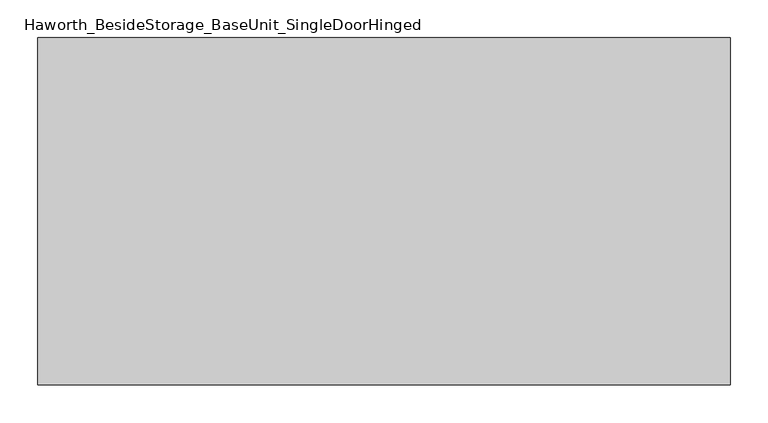
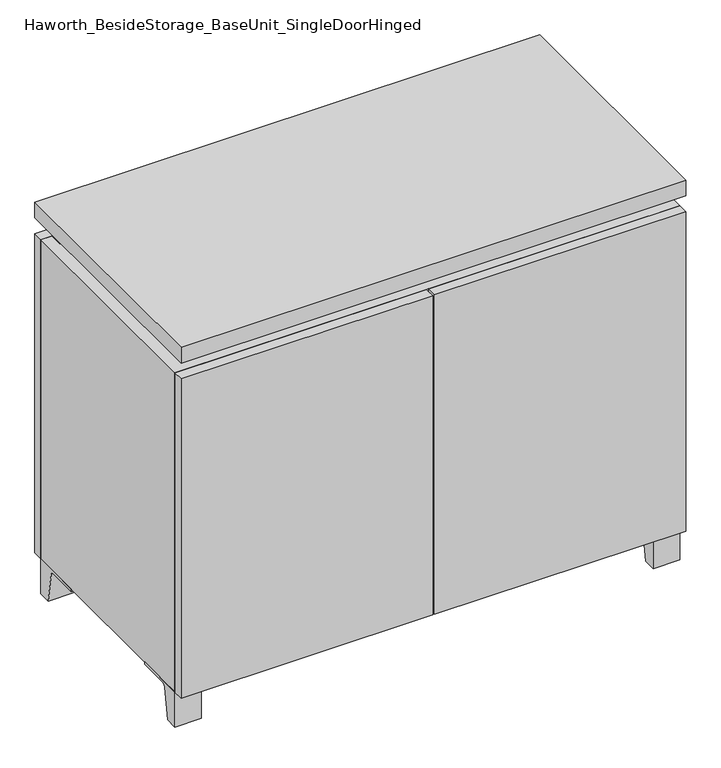
"""IFC4 building model written with IfcOpenShell, lengths in millimetres: furniture geometry, Haworth_BesideStorage_BaseUnit_SingleDoorHinged."""

from ifc_helpers import new_model, si_unit, point, frame, frame_2d, origin, place, context, project, spatial, polyline, circle_curve, trimmed, segment, composite_curve, outline, extrude, faceted_brep, source, transform, mapped, element, save


def haworth_besidestorage_baseunit_singledoorhinged_4cdf37e6(model_context):
    return source(origin(), model_context, "Body", "SolidModel", [
        extrude(outline(composite_curve([segment(polyline([(-129.6458469, 0.0), (-152.4, 0.0), (-152.4, 66.675), (-57.15, 66.675), (-57.15, 61.8963321), (-113.9505345, 61.8963321)]), True, "CONTINUOUS"), segment(trimmed(circle_curve(frame_2d((-113.9505345, 55.5463321)), 6.35), [point((-113.9505345, 61.8963321))], [point((-120.2141359, 56.5902656))], True, "CARTESIAN"), True, "CONTINUOUS"), segment(polyline([(-120.2141359, 56.5902656), (-129.6458469, 0.0)]), True, "CONTINUOUS")], self_intersect=False)), frame((408.0013906, 0.0, 0.0), z_axis=(1.0, 0.0, 0.0), x_axis=(0.0, 1.0, 0.0)), (0.0, 0.0, 1.0), 47.625),
        extrude(outline(composite_curve([segment(polyline([(243.9458469, 0.0), (234.5141359, 56.5902656)]), True, "CONTINUOUS"), segment(trimmed(circle_curve(frame_2d((228.2505345, 55.5463321)), 6.35), [point((234.5141359, 56.5902656))], [point((228.2505345, 61.8963321))], True, "CARTESIAN"), True, "CONTINUOUS"), segment(polyline([(228.2505345, 61.8963321), (171.45, 61.8963321), (171.45, 66.675), (266.7, 66.675), (266.7, 0.0), (243.9458469, 0.0)]), True, "CONTINUOUS")], self_intersect=False)), frame((408.0013906, 0.0, 0.0), z_axis=(1.0, 0.0, 0.0), x_axis=(0.0, 1.0, 0.0)), (0.0, 0.0, 1.0), 47.625),
        extrude(outline(composite_curve([segment(polyline([(-129.6458469, 0.0), (-152.4, 0.0), (-152.4, 66.675), (-57.15, 66.675), (-57.15, 61.8963321), (-113.9505345, 61.8963321)]), True, "CONTINUOUS"), segment(trimmed(circle_curve(frame_2d((-113.9505345, 55.5463321)), 6.35), [point((-113.9505345, 61.8963321))], [point((-120.2141359, 56.5902656))], True, "CARTESIAN"), True, "CONTINUOUS"), segment(polyline([(-120.2141359, 56.5902656), (-129.6458469, 0.0)]), True, "CONTINUOUS")], self_intersect=False)), frame((-455.5986094, 0.0, 0.0), z_axis=(1.0, 0.0, 0.0), x_axis=(0.0, 1.0, 0.0)), (0.0, 0.0, 1.0), 47.625),
        extrude(outline(composite_curve([segment(polyline([(243.9458469, 0.0), (234.5141359, 56.5902656)]), True, "CONTINUOUS"), segment(trimmed(circle_curve(frame_2d((228.2505345, 55.5463321)), 6.35), [point((234.5141359, 56.5902656))], [point((228.2505345, 61.8963321))], True, "CARTESIAN"), True, "CONTINUOUS"), segment(polyline([(228.2505345, 61.8963321), (171.45, 61.8963321), (171.45, 66.675), (266.7, 66.675), (266.7, 0.0), (243.9458469, 0.0)]), True, "CONTINUOUS")], self_intersect=False)), frame((-455.5986094, 0.0, 0.0), z_axis=(1.0, 0.0, 0.0), x_axis=(0.0, 1.0, 0.0)), (0.0, 0.0, 1.0), 47.625),
        faceted_brep([(-455.5986094, -152.4, 66.675), (455.6125, -152.4, 66.675), (455.6125, -152.4, 676.275), (-455.5986094, -152.4, 676.275), (-436.5486094, -152.4, 85.725), (-436.5486094, -152.4, 657.225), (436.5694453, -152.4, 657.225), (436.5486094, -152.4, 85.725), (-455.5986094, 266.7, 66.675), (-455.5986094, 266.7, 676.275), (-436.5486094, 266.7, 676.275), (-436.5486094, 266.7, 85.725), (436.5486094, 266.7, 85.725), (436.5486094, 266.7, 676.275), (455.6125, 266.7, 676.275), (455.6125, 266.7, 66.675), (436.5486094, 241.3, 676.275), (-436.5416641, 241.3, 676.275), (-436.5486094, 241.3, 657.225), (436.5486094, 241.3, 657.225)], [[[0, 1, 2, 3], [4, 5, 6, 7]], [[8, 9, 10, 11, 12, 13, 14, 15]], [[1, 0, 8, 15]], [[2, 1, 15, 14]], [[3, 2, 14, 13, 16, 17, 10, 9]], [[0, 3, 9, 8]], [[11, 10, 17, 18, 5, 4]], [[13, 12, 7, 6, 19, 16]], [[4, 7, 12, 11]], [[6, 5, 18, 19]], [[17, 16, 19, 18]]]),
        extrude(outline(polyline([(455.6263906, -171.45), (-455.5986094, -171.45), (-455.5986094, 285.75), (455.6263906, 285.75), (455.6263906, -171.45)])), frame((0.0, 0.0, 706.4375), z_axis=(0.0, 0.0, 1.0), x_axis=(1.0, 0.0, 0.0)), (0.0, 0.0, 1.0), 30.1625),
        faceted_brep([(7.9513906, -76.2, 706.4375), (7.9513906, -76.2, 676.275), (7.9513906, 47.625, 676.275), (7.9513906, 47.625, 706.4375), (7.9513906, 190.5, 676.275), (7.9513906, 190.5, 706.4375), (7.9513906, 66.675, 706.4375), (7.9513906, 66.675, 676.275), (-7.9236094, 190.5, 706.4375), (-7.9236094, 190.5, 676.275), (-7.9236094, 66.675, 676.275), (-7.9236094, 66.675, 706.4375), (-7.9236094, -76.2, 676.275), (-7.9236094, -76.2, 706.4375), (-7.9236094, 47.625, 706.4375), (-7.9236094, 47.625, 676.275), (-414.2958281, 66.675, 706.4375), (-414.3166641, 241.3, 706.4375), (-430.1916641, 241.3, 706.4375), (-430.1916641, -127.0, 706.4375), (-414.3166641, -127.0, 706.4375), (-414.3166641, 47.625, 706.4375), (414.3236094, 47.625, 706.4375), (414.3236094, -127.0, 706.4375), (430.1986094, -127.0, 706.4375), (430.1986094, 241.3, 706.4375), (414.3236094, 241.3, 706.4375), (414.3236094, 66.675, 706.4375), (-414.2958281, 47.625, 676.275), (-414.3166641, -127.0, 676.275), (-430.1916641, -127.0, 676.275), (-430.1916641, 241.3, 676.275), (-414.3166641, 241.3, 676.275), (-414.3166641, 66.675, 676.275), (414.3236094, 66.675, 676.275), (414.3236094, 241.3, 676.275), (430.1986094, 241.3, 676.275), (430.1986094, -127.0, 676.275), (414.3236094, -127.0, 676.275), (414.3236094, 47.625, 676.275)], [[[0, 1, 2, 3]], [[4, 5, 6, 7]], [[8, 9, 10, 11]], [[12, 13, 14, 15]], [[5, 8, 11, 16, 17, 18, 19, 20, 21, 14, 13, 0, 3, 22, 23, 24, 25, 26, 27, 6]], [[1, 12, 15, 28, 29, 30, 31, 32, 33, 10, 9, 4, 7, 34, 35, 36, 37, 38, 39, 2]], [[5, 4, 9, 8]], [[1, 0, 13, 12]], [[6, 27, 34, 7]], [[22, 3, 2, 39]], [[20, 29, 28, 21]], [[32, 17, 16, 33]], [[18, 31, 30, 19]], [[29, 20, 19, 30]], [[17, 32, 31, 18]], [[26, 35, 34, 27]], [[38, 23, 22, 39]], [[25, 24, 37, 36]], [[23, 38, 37, 24]], [[35, 26, 25, 36]], [[16, 11, 10, 33]], [[14, 21, 28, 15]]]),
        extrude(outline(polyline([(455.6263906, 266.7), (-455.5986094, 266.7), (-455.5986094, 285.75), (455.6263906, 285.75), (455.6263906, 266.7)])), frame((0.0, 0.0, 66.675), z_axis=(0.0, 0.0, 1.0), x_axis=(1.0, 0.0, 0.0)), (0.0, 0.0, 1.0), 609.6),
        extrude(outline(polyline([(-436.5416641, 196.85), (-436.5416641, 203.2), (436.5694453, 203.2), (436.5694453, 196.85), (-436.5416641, 196.85)])), frame((0.0, 0.0, 85.725), z_axis=(0.0, 0.0, 1.0), x_axis=(1.0, 0.0, 0.0)), (0.0, 0.0, 1.0), 571.5),
        extrude(outline(polyline([(1.6013906, -171.45), (1.6013906, -152.4), (455.6263906, -152.4), (455.6263906, -171.45), (1.6013906, -171.45)])), frame((0.0, 0.0, 66.675), z_axis=(0.0, 0.0, 1.0), x_axis=(1.0, 0.0, 0.0)), (0.0, 0.0, 1.0), 609.6),
        extrude(outline(polyline([(-1.5736094, -171.45), (-455.5986094, -171.45), (-455.5986094, -152.4), (-1.5736094, -152.4), (-1.5736094, -171.45)])), frame((0.0, 0.0, 66.675), z_axis=(0.0, 0.0, 1.0), x_axis=(1.0, 0.0, 0.0)), (0.0, 0.0, 1.0), 609.6),
    ])


if __name__ == "__main__":
    model = new_model("IFC4")
    model_context = context("Model", 3, world=origin())
    ifc_project = project(units=[si_unit("LENGTHUNIT", "METRE", prefix="MILLI")], contexts=[model_context])
    site = spatial("IfcSite", under=ifc_project)
    building = spatial("IfcBuilding", under=site)
    placement = place(None, origin())
    haworth_besidestorage_baseunit_singledoorhinged_shape = haworth_besidestorage_baseunit_singledoorhinged_4cdf37e6(model_context)
    element("IfcFurniture", 1, ObjectType="Haworth_BesideStorage_BaseUnit_SingleDoorHinged", at=placement, inside=building, context=model_context, shape_type="MappedRepresentation", body=[
        mapped(haworth_besidestorage_baseunit_singledoorhinged_shape, transform((0.0, 0.0, 0.0), x_axis=(1.0, 0.0, 0.0), y_axis=(0.0, 1.0, 0.0), z_axis=(0.0, 0.0, 1.0))),
    ])
    save(model, "model.ifc")
